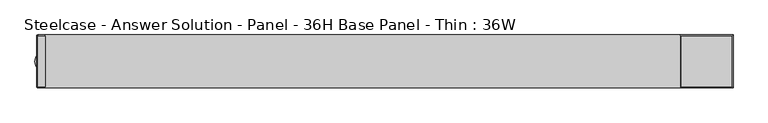
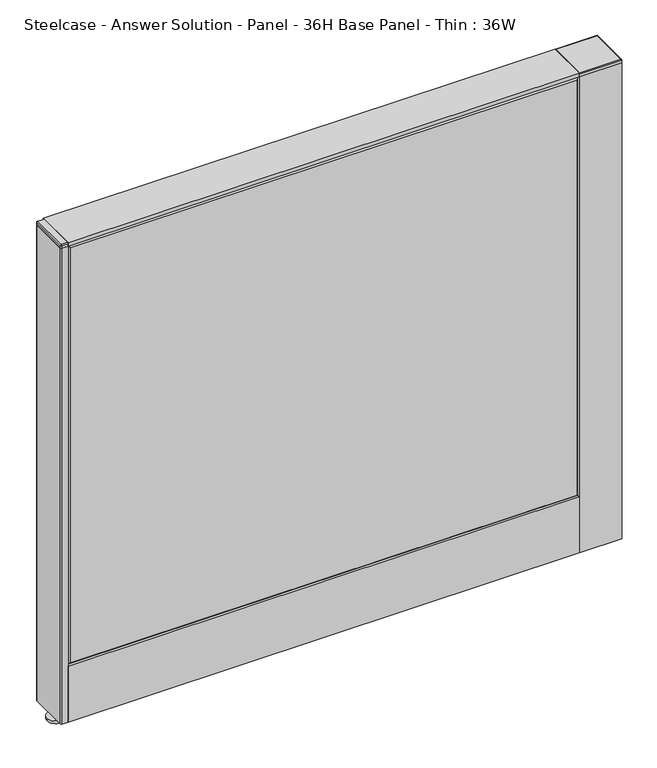
"""IFC4 building model written with IfcOpenShell, lengths in millimetres: furniture geometry, Steelcase - Answer Solution - Panel - 36H Base Panel - Thin : 36W."""

from ifc_helpers import new_model, si_unit, point, frame, frame_2d, origin, place, context, project, spatial, polyline, circle_curve, ellipse_curve, trimmed, segment, composite_curve, outline, extrude, faceted_brep, source, transform, mapped, element, save
from ifc_brep_helpers import plane_surface, cylinder_surface, revolved_surface, advanced_brep


def steelcase_answer_solution_panel_36h_base_panel_thin_36w_49409f12(model_context):
    return source(origin(), model_context, "Body", "SolidModel", [
        extrude(outline(polyline([(37.3075215, 119.8575157), (25.4000011, 119.8575157), (25.4000011, 120.65), (38.1000194, 120.65), (38.1000194, 15.494), (37.3075215, 15.494), (37.3075215, 119.8575157)])), frame((-457.2, 0.0, 0.0), z_axis=(1.0, 0.0, 0.0), x_axis=(0.0, 1.0, 0.0)), (0.0, 0.0, 1.0), 914.4),
        extrude(outline(polyline([(-37.3075215, 119.8575157), (-37.3075215, 15.494), (-38.1000194, 15.494), (-38.1000194, 120.65), (-25.4000011, 120.65), (-25.4000011, 119.8575157), (-37.3075215, 119.8575157)])), frame((-457.2, 0.0, 0.0), z_axis=(1.0, 0.0, 0.0), x_axis=(0.0, 1.0, 0.0)), (0.0, 0.0, 1.0), 914.4),
        extrude(outline(composite_curve([segment(trimmed(circle_curve(frame_2d((495.3, 0.0)), 5.08), [point((500.38, 0.0))], [point((490.22, 0.0))], False, "CARTESIAN"), True, "CONTINUOUS"), segment(trimmed(circle_curve(frame_2d((495.3, 0.0)), 5.08), [point((490.22, 0.0))], [point((500.38, 0.0))], False, "CARTESIAN"), True, "CONTINUOUS")], self_intersect=False)), frame((0.0, 0.0, 5.0799671), z_axis=(0.0, 0.0, 1.0), x_axis=(1.0, 0.0, 0.0)), (0.0, 0.0, 1.0), 10.414),
        extrude(outline(composite_curve([segment(trimmed(circle_curve(frame_2d((495.3, 0.0)), 15.24), [point((510.54, 0.0))], [point((480.06, 0.0))], False, "CARTESIAN"), True, "CONTINUOUS"), segment(trimmed(circle_curve(frame_2d((495.3, 0.0)), 15.24), [point((480.06, 0.0))], [point((510.54, 0.0))], False, "CARTESIAN"), True, "CONTINUOUS")], self_intersect=False)), frame((0.0, 0.0, -3.29e-05), z_axis=(0.0, 0.0, 1.0), x_axis=(1.0, 0.0, 0.0)), (0.0, 0.0, 1.0), 5.08),
        advanced_brep(
        [(457.2, -38.0999806, 914.3999671), (457.2, 38.1000194, 914.3999671), (533.4, 38.1000194, 914.3999671), (533.4, -38.0999806, 914.3999671), (533.4, -38.0999806, 918.9719671), (457.2, -38.0999806, 918.9719671), (533.4, 38.1000194, 918.9719671), (457.2, 38.1000194, 918.9719671), (531.622, 36.3220194, 920.7499671), (458.978, 36.3220194, 920.7499671), (458.978, -36.3219806, 920.7499671), (531.622, -36.3219806, 920.7499671)],
        [
            (0, 1),
            (1, 2),
            (2, 3),
            (3, 0),
            (3, 4),
            (4, 5),
            (5, 0),
            (2, 6),
            (6, 4),
            (1, 7),
            (7, 6),
            (5, 7),
            (8, 9),
            (9, 10),
            (10, 11),
            (11, 8),
            (8, 6, ellipse_curve(frame((531.5231577, 36.2231771, 918.8731247), z_axis=(-0.7071067811865444, 0.7071067811865506, 0.0), x_axis=(0.7071067811865507, 0.7071067811865444, 0.0)), 2.6579341, 1.8794432)),
            (7, 9, ellipse_curve(frame((459.0768423, 36.2231771, 918.8731247), z_axis=(0.7071067811865506, 0.7071067811865444, 0.0), x_axis=(0.7071067811865447, -0.7071067811865505, 0.0)), 2.6579341, 1.8794432)),
            (5, 10, ellipse_curve(frame((459.0768423, -36.2231383, 918.8731247), z_axis=(-0.7071067811865444, 0.7071067811865506, 0.0), x_axis=(0.7071067811865505, 0.7071067811865447, 0.0)), 2.6579341, 1.8794432)),
            (4, 11, ellipse_curve(frame((531.5231577, -36.2231383, 918.8731247), z_axis=(-0.7071067811865506, -0.7071067811865444, 0.0), x_axis=(-0.7071067811865447, 0.7071067811865505, 0.0)), 2.6579341, 1.8794432)),
        ],
        [
            plane_surface(frame((533.4, -38.0999806, 914.3999671), z_axis=(0.0, 0.0, -1.0), x_axis=(-1.0, 0.0, 0.0))),
            plane_surface(frame((457.2, -38.0999806, 918.9719671), z_axis=(0.0, -1.0, 0.0), x_axis=(0.0, 0.0, -1.0))),
            plane_surface(frame((533.4, -38.0999806, 918.9719671), z_axis=(1.0, 0.0, 0.0), x_axis=(0.0, 0.0, -1.0))),
            plane_surface(frame((533.4, 38.1000194, 918.9719671), z_axis=(0.0, 1.0, 0.0), x_axis=(0.0, 0.0, -1.0))),
            plane_surface(frame((457.2, 38.1000194, 918.9719671), z_axis=(-1.0, 0.0, 0.0), x_axis=(0.0, 0.0, -1.0))),
            plane_surface(frame((531.622, -36.3219806, 920.7499671), z_axis=(0.0, 0.0, 1.0), x_axis=(0.0, 1.0, 0.0))),
            cylinder_surface(frame((533.4, 36.2231771, 918.8731247), z_axis=(1.0, 0.0, 0.0), x_axis=(0.0, -1.0, 0.0)), 1.8794432),
            cylinder_surface(frame((459.0768423, 38.1000194, 918.8731247), z_axis=(0.0, 1.0, 0.0), x_axis=(1.0, 0.0, 0.0)), 1.8794432),
            cylinder_surface(frame((457.2, -36.2231383, 918.8731247), z_axis=(-1.0, 0.0, 0.0), x_axis=(0.0, 1.0, 0.0)), 1.8794432),
            cylinder_surface(frame((531.5231577, -38.0999806, 918.8731247), z_axis=(0.0, -1.0, 0.0), x_axis=(-1.0, 0.0, 0.0)), 1.8794432),
        ],
        [
            (0, [[1, 2, 3, 4]]),
            (1, [[-4, 5, 6, 7]]),
            (2, [[-3, 8, 9, -5]]),
            (3, [[-2, 10, 11, -8]]),
            (4, [[-1, -7, 12, -10]]),
            (5, [[13, 14, 15, 16]]),
            (6, [[17, -11, 18, -13]]),
            (7, [[-18, -12, 19, -14]]),
            (8, [[-19, -6, 20, -15]]),
            (9, [[-17, -16, -20, -9]]),
        ],
    ),
        extrude(outline(polyline([(533.4, 38.1000194), (533.4, -38.0999806), (457.2, -38.0999806), (457.2, 38.1000194), (533.4, 38.1000194)])), frame((0.0, 0.0, 15.4939671), z_axis=(0.0, 0.0, 1.0), x_axis=(1.0, 0.0, 0.0)), (0.0, 0.0, 1.0), 898.906),
        extrude(outline(composite_curve([segment(trimmed(circle_curve(frame_2d((-457.2, 0.0)), 5.08), [point((-462.28, 0.0))], [point((-452.12, 0.0))], False, "CARTESIAN"), True, "CONTINUOUS"), segment(trimmed(circle_curve(frame_2d((-457.2, 0.0)), 5.08), [point((-452.12, 0.0))], [point((-462.28, 0.0))], False, "CARTESIAN"), True, "CONTINUOUS")], self_intersect=False)), frame((0.0, 0.0, 5.0799671), z_axis=(0.0, 0.0, 1.0), x_axis=(1.0, 0.0, 0.0)), (0.0, 0.0, 1.0), 10.414),
        extrude(outline(composite_curve([segment(trimmed(circle_curve(frame_2d((-457.2, 0.0)), 15.24), [point((-472.44, 0.0))], [point((-441.96, 0.0))], False, "CARTESIAN"), True, "CONTINUOUS"), segment(trimmed(circle_curve(frame_2d((-457.2, 0.0)), 15.24), [point((-441.96, 0.0))], [point((-472.44, 0.0))], False, "CARTESIAN"), True, "CONTINUOUS")], self_intersect=False)), frame((0.0, 0.0, -3.29e-05), z_axis=(0.0, 0.0, 1.0), x_axis=(1.0, 0.0, 0.0)), (0.0, 0.0, 1.0), 5.08),
        advanced_brep(
        [(-468.122, 36.3219806, 920.7499671), (-468.122, -36.3220194, 920.7499671), (-457.2, -36.3220194, 920.7499671), (-457.2, 36.3219806, 920.7499671), (-469.9, 36.3219806, 918.9719671), (-468.122, 38.0999806, 918.9719671), (-469.9, -36.3220194, 918.9719671), (-468.122, -38.1000194, 918.9719671), (-457.2, -38.1000194, 918.9719671), (-457.2, -38.1000194, 914.3999671), (-457.2, 38.0999806, 914.3999671), (-457.2, 38.0999806, 918.9719671), (-469.9, -36.3220194, 914.3999671), (-468.122, -38.1000194, 914.3999671), (-468.122, 38.0999806, 914.3999671), (-469.9, 36.3219806, 914.3999671)],
        [
            (0, 1),
            (1, 2),
            (2, 3),
            (3, 0),
            (4, 0),
            (0, 5),
            (5, 4, circle_curve(frame((-468.122, 36.3219806, 918.9719671), z_axis=(0.0, -1.8009403492312287e-12, 1.0), x_axis=(0.0, 1.0, 1.8008960501119156e-12)), 1.778)),
            (4, 6),
            (6, 1),
            (6, 7, circle_curve(frame((-468.122, -36.3220194, 918.9719671), z_axis=(0.0, 5.414716294386099e-12, 1.0), x_axis=(-1.0, 0.0, 0.0)), 1.778)),
            (7, 1),
            (7, 8),
            (8, 2),
            (8, 9),
            (9, 10),
            (10, 11),
            (11, 3),
            (11, 5),
            (12, 13, circle_curve(frame((-468.122, -36.3220194, 914.3999671), z_axis=(0.0, 0.0, 1.0), x_axis=(1.0, 0.0, 0.0)), 1.778)),
            (13, 7),
            (6, 12),
            (13, 9),
            (10, 14),
            (14, 5),
            (14, 15, circle_curve(frame((-468.122, 36.3219806, 914.3999671), z_axis=(0.0, 0.0, 1.0), x_axis=(1.0, 0.0, 0.0)), 1.778)),
            (15, 4),
            (15, 12),
        ],
        [
            plane_surface(frame((-462.661, -1.94e-05, 920.7499671), z_axis=(0.0, 0.0, 1.0), x_axis=(0.0, -1.0, 0.0))),
            revolved_surface(polyline([(-468.122, 36.3219806, 920.7499671), (-469.90000000000316, 36.3219806, 918.9719670999968)]), (-468.122, 36.3219806, 920.7499671), (0.0, 1.8009403492312287e-12, -1.0)),
            plane_surface(frame((-469.9, -1.94e-05, 918.9719671), z_axis=(-0.7071067811865476, 0.0, 0.7071067811865476), x_axis=(0.0, -1.0, 0.0))),
            revolved_surface(polyline([(-468.122, -36.3220194, 920.7499671), (-469.9000000000096, -36.3220194, 918.9719670999904)]), (-468.122, -36.3220194, 920.7499671), (0.0, -5.414716294386099e-12, -1.0)),
            plane_surface(frame((-462.661, -38.1000194, 918.9719671), z_axis=(0.0, -0.7071067811846348, 0.7071067811884603), x_axis=(1.0, 0.0, 0.0))),
            plane_surface(frame((-457.2, -1.94e-05, 918.9719671), z_axis=(1.0, 0.0, 0.0), x_axis=(0.0, 1.0, 0.0))),
            plane_surface(frame((-462.661, 38.0999806, 918.9719671), z_axis=(0.0, 0.7071067811859125, 0.7071067811871826), x_axis=(-1.0, 0.0, 0.0))),
            cylinder_surface(frame((-468.122, -36.3220194, 914.3999671), z_axis=(0.0, 0.0, 1.0), x_axis=(1.0, 0.0, 0.0)), 1.778),
            plane_surface(frame((-468.122, -38.1000194, 918.9719671), z_axis=(0.0, -1.0, 0.0), x_axis=(0.0, 0.0, -1.0))),
            plane_surface(frame((-457.2, 38.0999806, 918.9719671), z_axis=(0.0, 1.0, 0.0), x_axis=(0.0, 0.0, -1.0))),
            cylinder_surface(frame((-468.122, 36.3219806, 914.3999671), z_axis=(0.0, 0.0, 1.0), x_axis=(1.0, 0.0, 0.0)), 1.778),
            plane_surface(frame((-469.9, 36.3219806, 918.9719671), z_axis=(-1.0, 0.0, 0.0), x_axis=(0.0, 0.0, -1.0))),
            plane_surface(frame((-466.344, -36.3220194, 914.3999671), z_axis=(0.0, 0.0, -1.0), x_axis=(0.0, -1.0, 0.0))),
        ],
        [
            (0, [[1, 2, 3, 4]]),
            (1, [[5, 6, 7]]),
            (2, [[-1, -5, 8, 9]]),
            (3, [[-9, 10, 11]]),
            (4, [[-2, -11, 12, 13]]),
            (5, [[-3, -13, 14, 15, 16, 17]]),
            (6, [[-4, -17, 18, -6]]),
            (7, [[19, 20, -10, 21]]),
            (8, [[22, -14, -12, -20]]),
            (9, [[23, 24, -18, -16]]),
            (10, [[25, 26, -7, -24]]),
            (11, [[27, -21, -8, -26]]),
            (12, [[-27, -25, -23, -15, -22, -19]]),
        ],
    ),
        extrude(outline(composite_curve([segment(polyline([(-469.9, -36.3220194), (-469.9, 36.3219806)]), True, "CONTINUOUS"), segment(trimmed(circle_curve(frame_2d((-468.122, 36.3219806)), 1.778), [point((-469.9, 36.3219806))], [point((-468.122, 38.0999806))], False, "CARTESIAN"), True, "CONTINUOUS"), segment(polyline([(-468.122, 38.0999806), (-457.2, 38.0999806), (-457.2, -38.1000194), (-468.122, -38.1000194)]), True, "CONTINUOUS"), segment(trimmed(circle_curve(frame_2d((-468.122, -36.3220194)), 1.778), [point((-468.122, -38.1000194))], [point((-469.9, -36.3220194))], False, "CARTESIAN"), True, "CONTINUOUS")], self_intersect=False)), frame((0.0, 0.0, 15.4939671), z_axis=(0.0, 0.0, 1.0), x_axis=(1.0, 0.0, 0.0)), (0.0, 0.0, 1.0), 898.906),
        faceted_brep([(452.374, 38.0960553, 909.574), (452.374, 38.0960553, 125.476), (-452.374, 38.0960553, 125.476), (-452.374, 38.0960553, 909.574), (457.2, 33.2700553, 914.4), (-457.2, 33.2700553, 914.4), (-457.2, 33.2700553, 120.65), (457.2, 33.2700553, 120.65)], [[[0, 1, 2, 3]], [[4, 5, 6, 7]], [[4, 0, 3, 5]], [[5, 3, 2, 6]], [[6, 2, 1, 7]], [[7, 1, 0, 4]]]),
        faceted_brep([(452.374, -38.0960553, 909.574), (-452.374, -38.0960553, 909.574), (-452.374, -38.0960553, 125.476), (452.374, -38.0960553, 125.476), (457.2, -33.2700553, 914.4), (457.2, -33.2700553, 120.65), (-457.2, -33.2700553, 120.65), (-457.2, -33.2700553, 914.4)], [[[0, 1, 2, 3]], [[4, 5, 6, 7]], [[4, 7, 1, 0]], [[7, 6, 2, 1]], [[6, 5, 3, 2]], [[5, 4, 0, 3]]]),
        extrude(outline(polyline([(457.2, 38.1000194), (457.2, -38.1000194), (-457.2, -38.1000194), (-457.2, 38.1000194), (457.2, 38.1000194)])), frame((0.0, 0.0, 914.4), z_axis=(0.0, 0.0, 1.0), x_axis=(1.0, 0.0, 0.0)), (0.0, 0.0, 1.0), 6.35),
    ])


if __name__ == "__main__":
    model = new_model("IFC4")
    model_context = context("Model", 3, world=origin())
    ifc_project = project(units=[si_unit("LENGTHUNIT", "METRE", prefix="MILLI")], contexts=[model_context])
    site = spatial("IfcSite", under=ifc_project)
    building = spatial("IfcBuilding", under=site)
    placement = place(None, origin())
    steelcase_answer_solution_panel_36h_base_panel_thin_36w_shape = steelcase_answer_solution_panel_36h_base_panel_thin_36w_49409f12(model_context)
    element("IfcFurniture", 1, ObjectType="Steelcase - Answer Solution - Panel - 36H Base Panel - Thin : 36W", at=placement, inside=building, context=model_context, shape_type="MappedRepresentation", body=[
        mapped(steelcase_answer_solution_panel_36h_base_panel_thin_36w_shape, transform((0.0, 0.0, 0.0), x_axis=(1.0, 0.0, 0.0), y_axis=(0.0, 1.0, 0.0), z_axis=(0.0, 0.0, 1.0))),
    ])
    save(model, "model.ifc")
